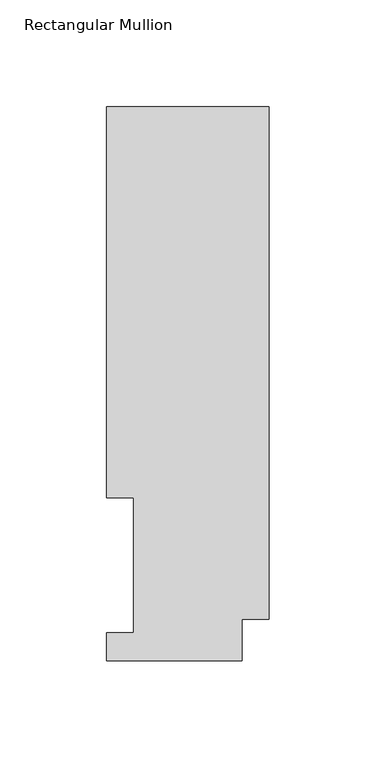
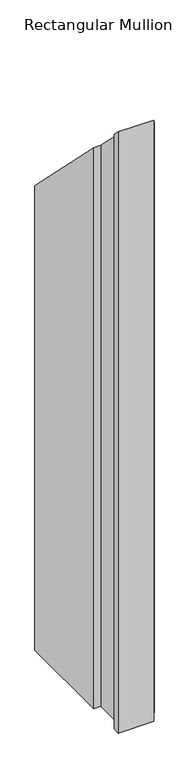
"""IFC4 building model written with IfcOpenShell, lengths in millimetres: member geometry, Rectangular Mullion."""

from ifc_helpers import new_model, si_unit, origin, place, context, project, spatial, faceted_brep, source, transform, mapped, element, save


def rectangular_mullion_19839696(model_context):
    return source(origin(), model_context, "Body", "Brep", [
        faceted_brep([(-76.2, 76.2992188, -1142.5174), (-76.2, 259.4586188, -1142.5174), (0.0, 259.4586188, -1142.5174), (0.0, 19.5088257, -1142.5174), (-12.7, 19.5088257, -1142.5174), (-12.7, -0.0333811, -1142.5174), (-76.2, -0.0333811, -1142.5174), (-76.2, 13.1492189, -1142.5174), (-63.5, 13.1492189, -1142.5174), (-63.5, 76.2992188, -1142.5174), (-63.5, 76.2992188, -76.2992188), (-76.2, 76.2992188, -76.2992188), (-63.5, 13.1492189, -13.1492189), (-76.2, 13.1492189, -13.1492189), (-76.2, -0.0333811, 0.0333811), (-12.7, -0.0333811, 0.0333811), (-12.7, 19.5088257, -19.5088257), (0.0, 19.5088257, -19.5088257), (0.0, 259.4586188, -259.4586188), (-76.2, 259.4586188, -259.4586188)], [[[0, 1, 2, 3, 4, 5, 6, 7, 8, 9]], [[10, 11, 0, 9]], [[12, 10, 9, 8]], [[13, 12, 8, 7]], [[14, 13, 7, 6]], [[15, 14, 6, 5]], [[16, 15, 5, 4]], [[17, 16, 4, 3]], [[18, 17, 3, 2]], [[19, 18, 2, 1]], [[11, 19, 1, 0]], [[11, 10, 12, 13, 14, 15, 16, 17, 18, 19]]]),
    ])


if __name__ == "__main__":
    model = new_model("IFC4")
    model_context = context("Model", 3, world=origin())
    ifc_project = project(units=[si_unit("LENGTHUNIT", "METRE", prefix="MILLI")], contexts=[model_context])
    site = spatial("IfcSite", under=ifc_project)
    building = spatial("IfcBuilding", under=site)
    placement = place(None, origin())
    rectangular_mullion_shape = rectangular_mullion_19839696(model_context)
    element("IfcMember", 1, ObjectType="Rectangular Mullion", at=placement, inside=building, context=model_context, shape_type="MappedRepresentation", body=[
        mapped(rectangular_mullion_shape, transform((0.0, 0.0, 0.0), x_axis=(1.0, 0.0, 0.0), y_axis=(0.0, 1.0, 0.0), z_axis=(0.0, 0.0, 1.0))),
    ])
    save(model, "model.ifc")
